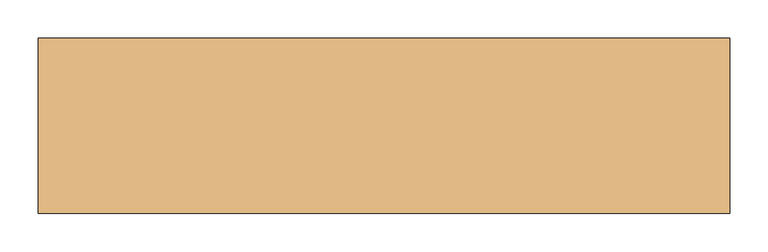
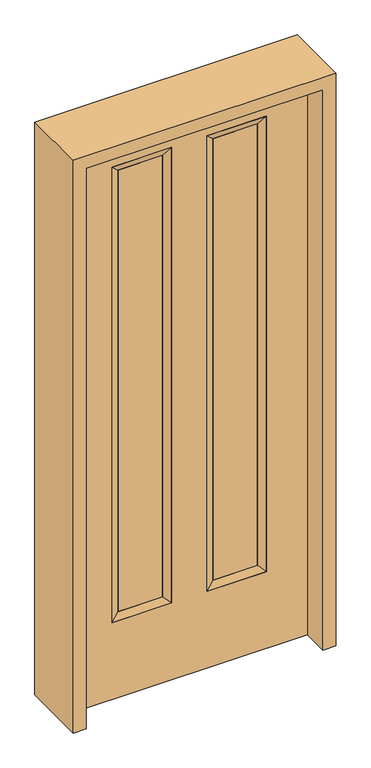
"""IFC4 building model written with IfcOpenShell, lengths in millimetres: door geometry."""

from ifc_helpers import new_model, si_unit, frame, origin, place, context, project, spatial, polyline, outline, extrude, faceted_brep, source, transform, mapped, element, save


def door_f9dbff70(model_context):
    return source(origin(), model_context, "Body", "SolidModel", [
        extrude(outline(polyline([(-86.614, -12.7039749), (-239.014, -12.7039749), (-239.014, 14.2875), (-86.614, 14.2875), (-86.614, -12.7039749)])), frame((0.0, 0.0, 304.8), z_axis=(0.0, 0.0, 1.0), x_axis=(1.0, 0.0, 0.0)), (0.0, 0.0, 1.0), 1600.2),
        extrude(outline(polyline([(239.014, -12.7039749), (86.614, -12.7039749), (86.614, 14.2875), (239.014, 14.2875), (239.014, -12.7039749)])), frame((0.0, 0.0, 304.8), z_axis=(0.0, 0.0, 1.0), x_axis=(1.0, 0.0, 0.0)), (0.0, 0.0, 1.0), 1600.2),
        faceted_brep([(264.414, 22.225, 1930.4), (239.014, 14.2875, 1905.0), (86.614, 14.2875, 1905.0), (61.214, 22.225, 1930.4), (239.014, -12.7039749, 1905.0), (86.614, -12.7039749, 1905.0), (264.414, -22.225, 1930.4), (61.214, -22.225, 1930.4), (86.614, 14.2875, 304.8), (61.214, 22.225, 279.4), (86.614, -12.7039749, 304.8), (61.214, -22.225, 279.4), (239.014, 14.2875, 304.8), (264.414, 22.225, 279.4), (239.014, -12.7039749, 304.8), (264.414, -22.225, 279.4)], [[[0, 1, 2, 3]], [[1, 4, 5, 2]], [[4, 6, 7, 5]], [[6, 0, 3, 7]], [[3, 2, 8, 9]], [[2, 5, 10, 8]], [[5, 7, 11, 10]], [[7, 3, 9, 11]], [[9, 8, 12, 13]], [[8, 10, 14, 12]], [[10, 11, 15, 14]], [[11, 9, 13, 15]], [[13, 12, 1, 0]], [[12, 14, 4, 1]], [[14, 15, 6, 4]], [[15, 13, 0, 6]]]),
        faceted_brep([(-239.014, 14.2875, 1905.0), (-264.414, 22.225, 1930.4), (-61.214, 22.225, 1930.4), (-86.614, 14.2875, 1905.0), (-239.014, -12.7039749, 1905.0), (-86.614, -12.7039749, 1905.0), (-264.414, -22.225, 1930.4), (-61.214, -22.225, 1930.4), (-61.214, 22.225, 279.4), (-86.614, 14.2875, 304.8), (-86.614, -12.7039749, 304.8), (-61.214, -22.225, 279.4), (-264.414, 22.225, 279.4), (-239.014, 14.2875, 304.8), (-239.014, -12.7039749, 304.8), (-264.414, -22.225, 279.4)], [[[0, 1, 2, 3]], [[4, 0, 3, 5]], [[6, 4, 5, 7]], [[1, 6, 7, 2]], [[3, 2, 8, 9]], [[5, 3, 9, 10]], [[7, 5, 10, 11]], [[2, 7, 11, 8]], [[9, 8, 12, 13]], [[10, 9, 13, 14]], [[11, 10, 14, 15]], [[8, 11, 15, 12]], [[13, 12, 1, 0]], [[14, 13, 0, 4]], [[15, 14, 4, 6]], [[12, 15, 6, 1]]]),
        extrude(outline(polyline([(0.0, -406.4), (0.0, 406.4), (2032.0, 406.4), (2032.0, -406.4), (0.0, -406.4)]), holes=[polyline([(279.4, -264.414), (1930.4, -264.414), (1930.4, -61.214), (279.4, -61.214), (279.4, -264.414)]), polyline([(279.4, 61.214), (1930.4, 61.214), (1930.4, 264.414), (279.4, 264.414), (279.4, 61.214)])]), frame((0.0, -22.225, 0.0), z_axis=(0.0, 1.0, 0.0), x_axis=(0.0, 0.0, 1.0)), (0.0, 0.0, 1.0), 44.45),
        extrude(outline(polyline([(0.0, -450.85), (0.0, -406.4), (2032.0, -406.4), (2032.0, 406.4), (0.0, 406.4), (0.0, 450.85), (2076.45, 450.85), (2076.45, -450.85), (0.0, -450.85)])), frame((0.0, -114.3, 0.0), z_axis=(0.0, 1.0, 0.0), x_axis=(0.0, 0.0, 1.0)), (0.0, 0.0, 1.0), 228.6),
    ])


if __name__ == "__main__":
    model = new_model("IFC4")
    model_context = context("Model", 3, world=origin())
    ifc_project = project(units=[si_unit("LENGTHUNIT", "METRE", prefix="MILLI")], contexts=[model_context])
    site = spatial("IfcSite", under=ifc_project)
    building = spatial("IfcBuilding", under=site)
    placement = place(None, origin())
    door_shape = door_f9dbff70(model_context)
    element("IfcDoor", 1, at=placement, inside=building, context=model_context, shape_type="MappedRepresentation", body=[
        mapped(door_shape, transform((0.0, 0.0, 0.0), x_axis=(1.0, 0.0, 0.0), y_axis=(0.0, 1.0, 0.0), z_axis=(0.0, 0.0, 1.0))),
    ])
    save(model, "model.ifc")
